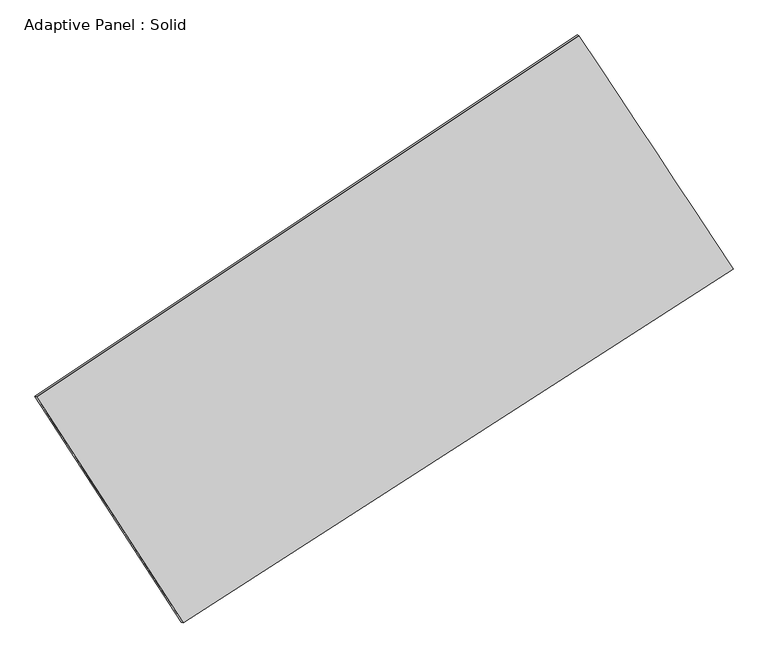
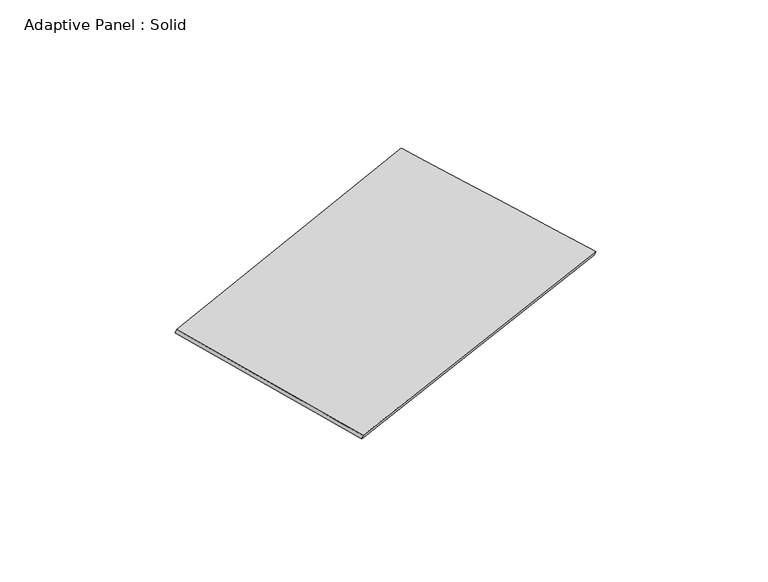
"""IFC4 building model written with IfcOpenShell, lengths in millimetres: plate geometry, Adaptive Panel : Solid."""

import ifcopenshell
import ifcopenshell.guid

model = None  # the IFC model being written
_history = None  # IfcOwnerHistory: only IFC2X3 demands one
_inside = {}  # id of a spatial element -> (the spatial element, [elements in it])
_under = {}  # id of a project, library or spatial element -> (it, [spatial elements below it])
_declared = {}  # id of a project -> (the project, [libraries it declares])
_typed = {}  # id of a type object -> (the type object, [elements of that type])
_made_of = {}  # id of a material, layer set ... -> (it, [elements and type objects made of it])


def new_model(schema):
    """Start an empty IFC model of exactly this schema.

    Asked for "IFC4X3", IfcOpenShell would pick the latest addendum, in which some entities
    have other attributes; the version numbers below select the first issue.
    IFC2X3 requires an IfcOwnerHistory on every rooted entity: one is made here for all.
    """
    global model, _history
    if schema == "IFC4X3":
        model = ifcopenshell.file(schema_version=(4, 3, 0, 0))
    else:
        model = ifcopenshell.file(schema=schema)
    _inside.clear()
    _under.clear()
    _declared.clear()
    _typed.clear()
    _made_of.clear()
    _history = None
    if model.schema == "IFC2X3":
        org = make("IfcOrganization", Name="unknown")
        user = make(
            "IfcPersonAndOrganization",
            ThePerson=make("IfcPerson", FamilyName="unknown"),
            TheOrganization=org,
        )
        app = make(
            "IfcApplication",
            ApplicationDeveloper=org,
            Version="unknown",
            ApplicationFullName="unknown",
            ApplicationIdentifier="unknown",
        )
        _history = make(
            "IfcOwnerHistory",
            OwningUser=user,
            OwningApplication=app,
            ChangeAction="ADDED",
            CreationDate=0,
        )
    return model


def make(cls, **values):
    """One entity of the class cls with the attributes given. An attribute that is None is left unset."""
    return model.create_entity(
        cls, **{name: value for name, value in values.items() if value is not None}
    )


def rooted(cls, **values):
    """An entity with a GlobalId (a new one), such as an element, a storey or a relation."""
    return make(cls, GlobalId=ifcopenshell.guid.new(), OwnerHistory=_history, **values)


def si_unit(unit_type, name, prefix=None):
    """IfcSIUnit, for example si_unit("LENGTHUNIT", "METRE", prefix="MILLI")."""
    return make("IfcSIUnit", UnitType=unit_type, Prefix=prefix, Name=name)


def assignment(units):
    """IfcUnitAssignment: the units of a project."""
    return None if units is None else make("IfcUnitAssignment", Units=units)


def point(xyz):
    """IfcCartesianPoint."""
    return None if xyz is None else make("IfcCartesianPoint", Coordinates=xyz)


def direction(xyz):
    """IfcDirection."""
    return None if xyz is None else make("IfcDirection", DirectionRatios=xyz)


def frame(location, z_axis=None, x_axis=None):
    """IfcAxis2Placement3D, a coordinate frame: its origin and axes. An axis left out is left unset."""
    return make(
        "IfcAxis2Placement3D",
        Location=point(location),
        Axis=direction(z_axis),
        RefDirection=direction(x_axis),
    )


def origin():
    """The frame at (0, 0, 0) with its axes left unset."""
    return frame((0.0, 0.0, 0.0))


def place(relative_to, where):
    """IfcLocalPlacement: puts the frame where relative to a parent placement (None: the world)."""
    return make(
        "IfcLocalPlacement", PlacementRelTo=relative_to, RelativePlacement=where
    )


def context(
    kind, dimensions, precision=None, world=None, true_north=None, identifier=None
):
    """IfcGeometricRepresentationContext, for example the 3D "Model" context."""
    return make(
        "IfcGeometricRepresentationContext",
        ContextIdentifier=identifier,
        ContextType=kind,
        CoordinateSpaceDimension=dimensions,
        Precision=precision,
        WorldCoordinateSystem=world,
        TrueNorth=true_north,
    )


def project(units=None, contexts=None):
    """IfcProject with its units and contexts."""
    return rooted(
        "IfcProject",
        Name="project",
        RepresentationContexts=contexts,
        UnitsInContext=assignment(units),
    )


def spatial(cls, under=None, at=None, **own):
    """A site, building, storey or space (cls), placed at a placement, below another one or the project."""
    s = rooted(cls, ObjectPlacement=at, **own)
    if under is not None:
        _under.setdefault(under.id(), (under, []))[1].append(s)
    return s


def shape(context_of_items, identifier, shape_type, items):
    """IfcShapeRepresentation: the items that make up one representation, for example the "Body"."""
    return make(
        "IfcShapeRepresentation",
        ContextOfItems=context_of_items,
        RepresentationIdentifier=identifier,
        RepresentationType=shape_type,
        Items=items,
    )


def source(mapping_origin, context_of_items, identifier, shape_type, items):
    """IfcRepresentationMap: a shape defined once, which mapped items show again and again."""
    return make(
        "IfcRepresentationMap",
        MappingOrigin=mapping_origin,
        MappedRepresentation=shape(context_of_items, identifier, shape_type, items),
    )


def transform(
    local_origin,
    x_axis=None,
    y_axis=None,
    z_axis=None,
    scale=None,
    scale2=None,
    scale3=None,
    uniform=True,
):
    """IfcCartesianTransformationOperator3D, or its non-uniform kind. x_axis, y_axis, z_axis: its Axis1, 2, 3."""
    if uniform:
        return make(
            "IfcCartesianTransformationOperator3D",
            Axis1=direction(x_axis),
            Axis2=direction(y_axis),
            LocalOrigin=point(local_origin),
            Scale=scale,
            Axis3=direction(z_axis),
        )
    return make(
        "IfcCartesianTransformationOperator3DnonUniform",
        Axis1=direction(x_axis),
        Axis2=direction(y_axis),
        LocalOrigin=point(local_origin),
        Scale=scale,
        Axis3=direction(z_axis),
        Scale2=scale2,
        Scale3=scale3,
    )


def mapped(mapping_source, mapping_target):
    """IfcMappedItem: shows the shape of a source again, moved by a transform."""
    return make(
        "IfcMappedItem", MappingSource=mapping_source, MappingTarget=mapping_target
    )


def made_of(thing, what):
    """Note that an element or type object is made of a material, layer set ...; save() writes the relation."""
    if what is not None:
        _made_of.setdefault(what.id(), (what, []))[1].append(thing)
    return thing


def element(
    cls,
    number,
    at=None,
    inside=None,
    cuts=None,
    type_object=None,
    material=None,
    context=None,
    identifier="Body",
    shape_type=None,
    held_by="IfcProductDefinitionShape",
    body=None,
    shapes=None,
    **own,
):
    """One element of the class cls, such as IfcWall. Its Tag is "e" and its number.

    at: its placement. inside: the storey or other place that contains it. cuts: it is an
    opening in that element (IfcRelVoidsElement). A single representation is given by context,
    identifier, shape_type and body (its items); several are given by shapes. held_by: the class
    of the entity that holds the representations. save() writes the other relations.
    """
    e = rooted(cls, Tag="e%d" % number, ObjectPlacement=at, **own)
    if body is not None:
        shapes = [shape(context, identifier, shape_type, body)]
    if shapes is not None:
        e.Representation = make(held_by, Representations=shapes)
    if inside is not None:
        _inside.setdefault(inside.id(), (inside, []))[1].append(e)
    if cuts is not None:
        rooted(
            "IfcRelVoidsElement", RelatingBuildingElement=cuts, RelatedOpeningElement=e
        )
    if type_object is not None:
        _typed.setdefault(type_object.id(), (type_object, []))[1].append(e)
    return made_of(e, material)


def aggregate(whole, parts):
    """IfcRelAggregates: a whole, such as a stair, and the parts it consists of."""
    return rooted("IfcRelAggregates", RelatingObject=whole, RelatedObjects=parts)


def save(model, path):
    """Write the relations noted so far, then the file.

    IfcRelAggregates (storeys below a building ...), IfcRelContainedInSpatialStructure (elements
    in a storey), IfcRelDefinesByType, IfcRelAssociatesMaterial and IfcRelDeclares: one each for
    every whole, place, type object, material and project.
    """
    for whole, parts in _under.values():
        aggregate(whole, parts)
    for where, things in _inside.values():
        rooted(
            "IfcRelContainedInSpatialStructure",
            RelatedElements=things,
            RelatingStructure=where,
        )
    for kind, things in _typed.values():
        rooted("IfcRelDefinesByType", RelatedObjects=things, RelatingType=kind)
    for what, things in _made_of.values():
        rooted("IfcRelAssociatesMaterial", RelatedObjects=things, RelatingMaterial=what)
    for by, libraries in _declared.values():
        rooted("IfcRelDeclares", RelatingContext=by, RelatedDefinitions=libraries)
    model.write(path)


def plane_surface(at):
    """IfcPlane: the flat surface through the origin of the frame at, square to its z axis."""
    return make("IfcPlane", Position=at)


def spline_surface(u_degree, v_degree, points, u_multiplicities, v_multiplicities, u_knots, v_knots, weights=None):
    """IfcBSplineSurfaceWithKnots; with weights, IfcRationalBSplineSurfaceWithKnots. points: one row for each step in u."""
    own = dict(
        UDegree=u_degree,
        VDegree=v_degree,
        ControlPointsList=[[point(p) for p in row] for row in points],
        SurfaceForm="UNSPECIFIED",
        UClosed=False,
        VClosed=False,
        SelfIntersect=False,
        UMultiplicities=u_multiplicities,
        VMultiplicities=v_multiplicities,
        UKnots=u_knots,
        VKnots=v_knots,
        KnotSpec="UNSPECIFIED",
    )
    if weights is None:
        return make("IfcBSplineSurfaceWithKnots", **own)
    return make("IfcRationalBSplineSurfaceWithKnots", WeightsData=weights, **own)


def advanced_brep(points, edges, surfaces, faces):
    """IfcAdvancedBrep: a solid bounded by faces that lie on surfaces and meet in shared edges.

    An edge is (start, end): straight between two places in points (the first is 0);
    or (start, end, curve); or (start, end, curve, False) where it runs against its curve.
    A face is (place in surfaces, loops), or (place, loops, False) where it looks against
    its surface's normal. A loop lists edges by number (the first is 1), with a minus sign
    where the edge is run from its end to its start. The first loop is the outer one.
    """
    corners = [point(p) for p in points]
    vertices = [make("IfcVertexPoint", VertexGeometry=c) for c in corners]
    made = []
    for start, end, *more in edges:
        made.append(
            make(
                "IfcEdgeCurve",
                EdgeStart=vertices[start],
                EdgeEnd=vertices[end],
                EdgeGeometry=more[0] if more else make("IfcPolyline", Points=[corners[start], corners[end]]),
                SameSense=more[1] if len(more) > 1 else True,
            )
        )
    hull = []
    for where, loops, *sense in faces:
        bounds = []
        for j, loop in enumerate(loops):
            ring = [make("IfcOrientedEdge", EdgeElement=made[abs(k) - 1], Orientation=k > 0) for k in loop]
            bounds.append(
                make(
                    "IfcFaceOuterBound" if j == 0 else "IfcFaceBound",
                    Bound=make("IfcEdgeLoop", EdgeList=ring),
                    Orientation=True,
                )
            )
        hull.append(make("IfcAdvancedFace", Bounds=bounds, FaceSurface=surfaces[where], SameSense=sense[0] if sense else True))
    return make("IfcAdvancedBrep", Outer=make("IfcClosedShell", CfsFaces=hull))


def adaptive_panel_solid_72116d65(model_context):
    return source(origin(), model_context, "Body", "AdvancedBrep", [
        advanced_brep(
        [(1092.6825778, 2529.7649158, 664.9795507), (-3730.5959789, -686.9039126, 1767.0460592), (-3715.9296231, -693.2840061, 1814.4189672), (1107.3489336, 2523.3848223, 712.3524587), (-2428.2933254, -2696.4232385, 1050.6023523), (-2413.6269695, -2702.803332, 1097.9752603), (2462.9161483, 453.3136625, 2.4945581), (2477.5825041, 446.933569, 49.8674661)],
        [
            (0, 1),
            (1, 2),
            (2, 3),
            (3, 0),
            (1, 4),
            (4, 5),
            (5, 2),
            (4, 6),
            (6, 7),
            (7, 5),
            (6, 0),
            (3, 7),
        ],
        [
            plane_surface(frame((-1318.9567005, 921.4305016, 1216.0128049), z_axis=(-0.4926188982498024, 0.8291764731031717, 0.26418364358782026), x_axis=(-0.8173226008291964, -0.5450765702000602, 0.18674929395512366))),
            plane_surface(frame((-3079.4446521, -1691.6635756, 1408.8242057), z_axis=(-0.7984089811436239, -0.5778050587432151, 0.16936473340087776), x_axis=(0.5210272906207363, -0.8039716474521784, -0.28663592329197884))),
            plane_surface(frame((17.3114115, -1121.554788, 526.5484552), z_axis=(0.4822246672684629, -0.8359884125525757, -0.26188307382426446), x_axis=(0.8274357632502046, 0.5328344596053364, -0.17730622197667154))),
            plane_surface(frame((1777.7993631, 1491.5392891, 333.7370544), z_axis=(0.7970941896062964, 0.5798151068549853, -0.16868697269980187), x_axis=(-0.5322318458191325, 0.806543867479963, 0.25732518750876887))),
            spline_surface(1, 1, [[(-3715.9296231, -693.2840061, 1814.4189672), (1107.3489336, 2523.3848223, 712.3524587)], [(-2413.6269695, -2702.803332, 1097.9752603), (2477.5825041, 446.933569, 49.8674661)]], [2, 2], [2, 2], [0.0, 1.0], [0.0, 1.0]),
            spline_surface(1, 1, [[(2462.9161483, 453.3136625, 2.4945581), (1092.6825778, 2529.7649158, 664.9795507)], [(-2428.2933254, -2696.4232385, 1050.6023523), (-3730.5959789, -686.9039126, 1767.0460592)]], [2, 2], [2, 2], [0.0, 1.0], [0.0, 1.0]),
        ],
        [
            (0, [[1, 2, 3, 4]]),
            (1, [[5, 6, 7, -2]]),
            (2, [[8, 9, 10, -6]]),
            (3, [[11, -4, 12, -9]]),
            (4, [[-3, -7, -10, -12]]),
            (5, [[-11, -8, -5, -1]]),
        ],
    ),
    ])


if __name__ == "__main__":
    model = new_model("IFC4")
    model_context = context("Model", 3, world=origin())
    ifc_project = project(units=[si_unit("LENGTHUNIT", "METRE", prefix="MILLI")], contexts=[model_context])
    site = spatial("IfcSite", under=ifc_project)
    building = spatial("IfcBuilding", under=site)
    placement = place(None, origin())
    adaptive_panel_solid_shape = adaptive_panel_solid_72116d65(model_context)
    element("IfcPlate", 1, ObjectType="Adaptive Panel : Solid", at=placement, inside=building, context=model_context, shape_type="MappedRepresentation", body=[
        mapped(adaptive_panel_solid_shape, transform((0.0, 0.0, 0.0), x_axis=(1.0, 0.0, 0.0), y_axis=(0.0, 1.0, 0.0), z_axis=(0.0, 0.0, 1.0))),
    ])
    save(model, "model.ifc")
